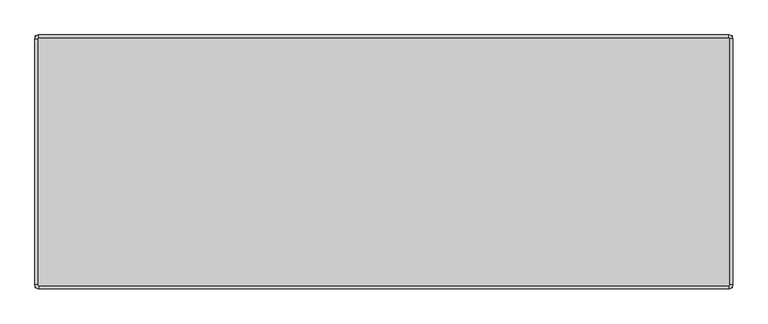
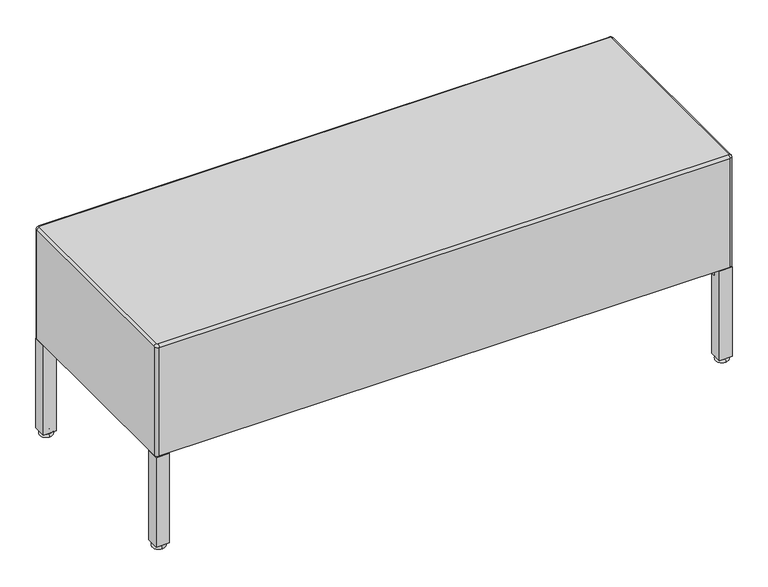
"""IFC4 building model written with IfcOpenShell, lengths in millimetres: furniture geometry."""

from ifc_helpers import new_model, si_unit, point, frame, frame_2d, origin, place, context, project, spatial, polyline, circle_curve, ellipse_curve, trimmed, segment, composite_curve, outline, extrude, source, transform, mapped, element, save
from ifc_brep_helpers import plane_surface, cylinder_surface, revolved_surface, advanced_brep


def furniture_a1e65dd1(model_context):
    return source(origin(), model_context, "Body", "SolidModel", [
        advanced_brep(
        [(-553.72, -242.1496455, 421.1758089), (-552.45, -243.4196455, 421.1758089), (552.45, -243.4196455, 421.1758089), (553.72, -242.1496455, 421.1758089), (553.72, 151.5503545, 421.1758089), (552.45, 152.8203545, 421.1758089), (-552.45, 152.8203545, 421.1758089), (-553.72, 151.5503545, 421.1758089), (552.45, 157.9003545, 194.48983), (558.8, 151.5503545, 194.48983), (558.8, -242.1496455, 194.48983), (552.45, -248.4996455, 194.48983), (-552.45, -248.4996455, 194.48983), (-558.8, -242.1496455, 194.48983), (-558.8, 151.5503545, 194.48983), (-552.45, 157.9003545, 194.48983), (-552.45, 157.9003545, 416.0958089), (552.45, 157.9003545, 416.0958089), (-558.8, -242.1496455, 416.0958089), (-558.8, 151.5503545, 416.0958089), (552.45, -248.4996455, 416.0958089), (-552.45, -248.4996455, 416.0958089), (558.8, 151.5503545, 416.0958089), (558.8, -242.1496455, 416.0958089)],
        [
            (0, 1, circle_curve(frame((-552.45, -242.1496455, 421.1758089), z_axis=(0.0, 0.0, 1.0), x_axis=(-1.0, 0.0, 0.0)), 1.27)),
            (1, 2),
            (2, 3, circle_curve(frame((552.45, -242.1496455, 421.1758089), z_axis=(0.0, 0.0, 1.0), x_axis=(0.0, -1.0, 0.0)), 1.27)),
            (3, 4),
            (4, 5, circle_curve(frame((552.45, 151.5503545, 421.1758089), z_axis=(0.0, 0.0, 1.0), x_axis=(1.0, 0.0, 0.0)), 1.27)),
            (5, 6),
            (6, 7, circle_curve(frame((-552.45, 151.5503545, 421.1758089), z_axis=(0.0, 0.0, 1.0), x_axis=(0.0, 1.0, 0.0)), 1.27)),
            (7, 0),
            (8, 9, circle_curve(frame((552.45, 151.5503545, 194.48983), z_axis=(0.0, 0.0, -1.0), x_axis=(1.0, 0.0, 0.0)), 6.35)),
            (9, 10),
            (10, 11, circle_curve(frame((552.45, -242.1496455, 194.48983), z_axis=(0.0, 0.0, -1.0), x_axis=(1.0, 0.0, 0.0)), 6.35)),
            (11, 12),
            (12, 13, circle_curve(frame((-552.45, -242.1496455, 194.48983), z_axis=(0.0, 0.0, -1.0), x_axis=(1.0, 0.0, 0.0)), 6.35)),
            (13, 14),
            (14, 15, circle_curve(frame((-552.45, 151.5503545, 194.48983), z_axis=(0.0, 0.0, -1.0), x_axis=(1.0, 0.0, 0.0)), 6.35)),
            (15, 8),
            (15, 16),
            (16, 17),
            (17, 8),
            (13, 18),
            (18, 19),
            (19, 14),
            (11, 20),
            (20, 21),
            (21, 12),
            (9, 22),
            (22, 23),
            (23, 10),
            (19, 16, circle_curve(frame((-552.45, 151.5503545, 416.0958089), z_axis=(0.0, 0.0, -1.0), x_axis=(1.0, 0.0, 0.0)), 6.35)),
            (21, 18, circle_curve(frame((-552.45, -242.1496455, 416.0958089), z_axis=(0.0, 0.0, -1.0), x_axis=(1.0, 0.0, 0.0)), 6.35)),
            (23, 20, circle_curve(frame((552.45, -242.1496455, 416.0958089), z_axis=(0.0, 0.0, -1.0), x_axis=(1.0, 0.0, 0.0)), 6.35)),
            (17, 22, circle_curve(frame((552.45, 151.5503545, 416.0958089), z_axis=(0.0, 0.0, -1.0), x_axis=(1.0, 0.0, 0.0)), 6.35)),
            (21, 1, circle_curve(frame((-552.45, -243.4196455, 416.0958089), z_axis=(-1.0, 0.0, 0.0), x_axis=(0.0, 1.0, 0.0)), 5.08)),
            (0, 18, circle_curve(frame((-553.72, -242.1496455, 416.0958089), z_axis=(0.0, -1.0, 0.0), x_axis=(1.0, 0.0, 0.0)), 5.08)),
            (20, 2, circle_curve(frame((552.45, -243.4196455, 416.0958089), z_axis=(-1.0, 0.0, 0.0), x_axis=(0.0, 1.0, 0.0)), 5.08)),
            (23, 3, circle_curve(frame((553.72, -242.1496455, 416.0958089), z_axis=(0.0, -1.0, 0.0), x_axis=(-1.0, 0.0, 0.0)), 5.08)),
            (22, 4, circle_curve(frame((553.72, 151.5503545, 416.0958089), z_axis=(0.0, -1.0, 0.0), x_axis=(-1.0, 0.0, 0.0)), 5.08)),
            (17, 5, circle_curve(frame((552.45, 152.8203545, 416.0958089), z_axis=(1.0, 0.0, 0.0), x_axis=(0.0, -1.0, 0.0)), 5.08)),
            (16, 6, circle_curve(frame((-552.45, 152.8203545, 416.0958089), z_axis=(1.0, 0.0, 0.0), x_axis=(0.0, -1.0, 0.0)), 5.08)),
            (19, 7, circle_curve(frame((-553.72, 151.5503545, 416.0958089), z_axis=(0.0, 1.0, 0.0), x_axis=(1.0, 0.0, 0.0)), 5.08)),
        ],
        [
            plane_surface(frame((-552.45, 157.9003545, 421.1758089), z_axis=(0.0, 0.0, 1.0), x_axis=(-1.0, 0.0, 0.0))),
            plane_surface(frame((-552.45, 157.9003545, 194.48983), z_axis=(0.0, 0.0, -1.0), x_axis=(1.0, 0.0, 0.0))),
            plane_surface(frame((552.45, 157.9003545, 421.1758089), z_axis=(0.0, 1.0, 0.0), x_axis=(0.0, 0.0, -1.0))),
            plane_surface(frame((-558.8, 151.5503545, 421.1758089), z_axis=(-1.0, 0.0, 0.0), x_axis=(0.0, 0.0, -1.0))),
            plane_surface(frame((-552.45, -248.4996455, 421.1758089), z_axis=(0.0, -1.0, 0.0), x_axis=(0.0, 0.0, -1.0))),
            plane_surface(frame((558.8, -242.1496455, 421.1758089), z_axis=(1.0, 0.0, 0.0), x_axis=(0.0, 0.0, -1.0))),
            cylinder_surface(frame((-552.45, 151.5503545, 194.48983), z_axis=(0.0, 0.0, 1.0), x_axis=(1.0, 0.0, 0.0)), 6.35),
            cylinder_surface(frame((-552.45, -242.1496455, 194.48983), z_axis=(0.0, 0.0, 1.0), x_axis=(1.0, 0.0, 0.0)), 6.35),
            cylinder_surface(frame((552.45, -242.1496455, 194.48983), z_axis=(0.0, 0.0, 1.0), x_axis=(1.0, 0.0, 0.0)), 6.35),
            cylinder_surface(frame((552.45, 151.5503545, 194.48983), z_axis=(0.0, 0.0, 1.0), x_axis=(1.0, 0.0, 0.0)), 6.35),
            revolved_surface(trimmed(ellipse_curve(frame((-553.72, -242.1496455, 416.0958089), z_axis=(0.0, 1.0, 0.0), x_axis=(1.0, 0.0, 0.0)), 5.08, 5.08), [point((-558.8, -242.1496455, 416.0958089))], [point((-553.72, -242.1496455, 421.1758089))], True, "CARTESIAN"), (-552.45, -242.1496455, 421.1758089), (0.0, 0.0, 1.0)),
            cylinder_surface(frame((-552.45, -243.4196455, 416.0958089), z_axis=(1.0, 0.0, 0.0), x_axis=(0.0, 1.0, 0.0)), 5.08),
            revolved_surface(trimmed(ellipse_curve(frame((552.45, -243.4196455, 416.0958089), z_axis=(-1.0, 0.0, 0.0), x_axis=(0.0, 1.0, 0.0)), 5.08, 5.08), [point((552.45, -248.4996455, 416.0958089))], [point((552.45, -243.4196455, 421.1758089))], True, "CARTESIAN"), (552.45, -242.1496455, 421.1758089), (0.0, 0.0, 1.0)),
            cylinder_surface(frame((553.72, -242.1496455, 416.0958089), z_axis=(0.0, 1.0, 0.0), x_axis=(-1.0, 0.0, 0.0)), 5.08),
            revolved_surface(trimmed(ellipse_curve(frame((553.72, 151.5503545, 416.0958089), z_axis=(0.0, -1.0, 0.0), x_axis=(-1.0, 0.0, 0.0)), 5.08, 5.08), [point((558.8, 151.5503545, 416.0958089))], [point((553.72, 151.5503545, 421.1758089))], True, "CARTESIAN"), (552.45, 151.5503545, 421.1758089), (0.0, 0.0, 1.0)),
            cylinder_surface(frame((552.45, 152.8203545, 416.0958089), z_axis=(-1.0, 0.0, 0.0), x_axis=(0.0, -1.0, 0.0)), 5.08),
            revolved_surface(trimmed(ellipse_curve(frame((-552.45, 152.8203545, 416.0958089), z_axis=(1.0, 0.0, 0.0), x_axis=(0.0, -1.0, 0.0)), 5.08, 5.08), [point((-552.45, 157.9003545, 416.0958089))], [point((-552.45, 152.8203545, 421.1758089))], True, "CARTESIAN"), (-552.45, 151.5503545, 421.1758089), (0.0, 0.0, 1.0)),
            cylinder_surface(frame((-553.72, 151.5503545, 416.0958089), z_axis=(0.0, -1.0, 0.0), x_axis=(1.0, 0.0, 0.0)), 5.08),
        ],
        [
            (0, [[1, 2, 3, 4, 5, 6, 7, 8]]),
            (1, [[9, 10, 11, 12, 13, 14, 15, 16]]),
            (2, [[-16, 17, 18, 19]]),
            (3, [[-14, 20, 21, 22]]),
            (4, [[-12, 23, 24, 25]]),
            (5, [[-10, 26, 27, 28]]),
            (6, [[-15, -22, 29, -17]]),
            (7, [[-13, -25, 30, -20]]),
            (8, [[-11, -28, 31, -23]]),
            (9, [[-9, -19, 32, -26]]),
            (10, [[33, -1, 34, -30]]),
            (11, [[-33, -24, 35, -2]]),
            (12, [[-35, -31, 36, -3]]),
            (13, [[-36, -27, 37, -4]]),
            (14, [[-37, -32, 38, -5]]),
            (15, [[-38, -18, 39, -6]]),
            (16, [[-39, -29, 40, -7]]),
            (17, [[-34, -8, -40, -21]]),
        ],
    ),
        advanced_brep(
        [(545.465, 135.5946464, 8.7536), (545.465, 151.3555036, 8.7536), (545.465, 151.3555036, 7.6882771), (545.465, 135.5946464, 7.6882771), (545.465, 143.475075, 8.7536), (545.465, 133.2693554, 0.0), (545.465, 153.6807946, 0.0), (545.465, 143.475075, 0.0), (545.465, 133.2693554, 5.362986), (545.465, 153.6807946, 5.362986)],
        [
            (0, 1, circle_curve(frame((545.465, 143.475075, 8.7536), z_axis=(0.0, 0.0, -1.0), x_axis=(0.0, 1.0, 0.0)), 7.8804286)),
            (1, 2),
            (2, 3, circle_curve(frame((545.465, 143.475075, 7.6882771), z_axis=(0.0, 0.0, 1.0), x_axis=(0.0, 1.0, 0.0)), 7.8804286)),
            (3, 0),
            (1, 0, circle_curve(frame((545.465, 143.475075, 8.7536), z_axis=(0.0, 0.0, -1.0), x_axis=(0.0, 1.0, 0.0)), 7.8804286)),
            (3, 2, circle_curve(frame((545.465, 143.475075, 7.6882771), z_axis=(0.0, 0.0, 1.0), x_axis=(0.0, 1.0, 0.0)), 7.8804286)),
            (4, 1),
            (0, 4),
            (5, 6, circle_curve(frame((545.465, 143.475075, 0.0), z_axis=(0.0, 0.0, -1.0), x_axis=(0.0, 1.0, 0.0)), 10.2057196)),
            (6, 7),
            (7, 5),
            (6, 5, circle_curve(frame((545.465, 143.475075, 0.0), z_axis=(0.0, 0.0, -1.0), x_axis=(0.0, 1.0, 0.0)), 10.2057196)),
            (8, 9, circle_curve(frame((545.465, 143.475075, 5.362986), z_axis=(0.0, 0.0, -1.0), x_axis=(0.0, 1.0, 0.0)), 10.2057196)),
            (9, 6, circle_curve(frame((545.465, 153.4846706, 2.681493), z_axis=(-1.0, 0.0, 0.0), x_axis=(0.0, 1.0, 0.0)), 2.6886557)),
            (5, 8, circle_curve(frame((545.465, 133.4654794, 2.681493), z_axis=(-1.0, 0.0, 0.0), x_axis=(0.0, -1.0, 0.0)), 2.6886557)),
            (9, 8, circle_curve(frame((545.465, 143.475075, 5.362986), z_axis=(0.0, 0.0, -1.0), x_axis=(0.0, 1.0, 0.0)), 10.2057196)),
            (2, 9, circle_curve(frame((545.465, 153.6807946, 7.6882771), z_axis=(1.0, 0.0, 0.0), x_axis=(0.0, 1.0, 0.0)), 2.3252911)),
            (8, 3, circle_curve(frame((545.465, 133.2693554, 7.6882771), z_axis=(1.0, 0.0, 0.0), x_axis=(0.0, -1.0, 0.0)), 2.3252911)),
        ],
        [
            cylinder_surface(frame((545.465, 143.475075, 0.0), z_axis=(0.0, 0.0, 1.0), x_axis=(0.0, 1.0, 0.0)), 7.8804286),
            plane_surface(frame((545.465, 143.475075, 8.7536), z_axis=(0.0, 0.0, 1.0), x_axis=(0.0, 1.0, 0.0))),
            plane_surface(frame((545.465, 143.475075, 0.0), z_axis=(0.0, 0.0, -1.0), x_axis=(0.0, 1.0, 0.0))),
            revolved_surface(trimmed(ellipse_curve(frame((545.465, 153.4846706, 2.681493), z_axis=(1.0, 0.0, 0.0), x_axis=(0.0, 1.0, 0.0)), 2.6886557, 2.6886557), [point((545.465, 153.6807946, 0.0))], [point((545.465, 153.6807946, 5.362986))], True, "CARTESIAN"), (545.465, 143.475075, 0.0), (0.0, 0.0, 1.0)),
            revolved_surface(trimmed(ellipse_curve(frame((545.465, 153.6807946, 7.6882771), z_axis=(-1.0, 0.0, 0.0), x_axis=(0.0, 1.0, 0.0)), 2.3252911, 2.3252911), [point((545.465, 153.6807946, 5.362986))], [point((545.465, 151.3555036, 7.6882771))], True, "CARTESIAN"), (545.465, 143.475075, 0.0), (0.0, 0.0, 1.0)),
        ],
        [
            (0, [[1, 2, 3, 4]]),
            (0, [[5, -4, 6, -2]]),
            (1, [[7, -1, 8]]),
            (1, [[-8, -5, -7]]),
            (2, [[9, 10, 11]]),
            (2, [[12, -11, -10]]),
            (3, [[13, 14, -9, 15]]),
            (3, [[16, -15, -12, -14]]),
            (4, [[-3, 17, -13, 18]]),
            (4, [[-6, -18, -16, -17]]),
        ],
    ),
        advanced_brep(
        [(-545.465, 135.5946464, 7.6882771), (-545.465, 151.3555036, 7.6882771), (-545.465, 151.3555036, 8.7536), (-545.465, 135.5946464, 8.7536), (-545.465, 143.475075, 8.7536), (-545.465, 143.475075, 0.0), (-545.465, 153.6807946, 0.0), (-545.465, 133.2693554, 0.0), (-545.465, 153.6807946, 5.362986), (-545.465, 133.2693554, 5.362986)],
        [
            (0, 1, circle_curve(frame((-545.465, 143.475075, 7.6882771), z_axis=(0.0, 0.0, 1.0), x_axis=(0.0, 1.0, 0.0)), 7.8804286)),
            (1, 2),
            (2, 3, circle_curve(frame((-545.465, 143.475075, 8.7536), z_axis=(0.0, 0.0, -1.0), x_axis=(0.0, 1.0, 0.0)), 7.8804286)),
            (3, 0),
            (1, 0, circle_curve(frame((-545.465, 143.475075, 7.6882771), z_axis=(0.0, 0.0, 1.0), x_axis=(0.0, 1.0, 0.0)), 7.8804286)),
            (3, 2, circle_curve(frame((-545.465, 143.475075, 8.7536), z_axis=(0.0, 0.0, -1.0), x_axis=(0.0, 1.0, 0.0)), 7.8804286)),
            (2, 4),
            (4, 3),
            (5, 6),
            (6, 7, circle_curve(frame((-545.465, 143.475075, 0.0), z_axis=(0.0, 0.0, -1.0), x_axis=(0.0, 1.0, 0.0)), 10.2057196)),
            (7, 5),
            (7, 6, circle_curve(frame((-545.465, 143.475075, 0.0), z_axis=(0.0, 0.0, -1.0), x_axis=(0.0, 1.0, 0.0)), 10.2057196)),
            (6, 8, circle_curve(frame((-545.465, 153.4846706, 2.681493), z_axis=(1.0, 0.0, 0.0), x_axis=(0.0, 1.0, 0.0)), 2.6886557)),
            (8, 9, circle_curve(frame((-545.465, 143.475075, 5.362986), z_axis=(0.0, 0.0, -1.0), x_axis=(0.0, 1.0, 0.0)), 10.2057196)),
            (9, 7, circle_curve(frame((-545.465, 133.4654794, 2.681493), z_axis=(1.0, 0.0, 0.0), x_axis=(0.0, -1.0, 0.0)), 2.6886557)),
            (9, 8, circle_curve(frame((-545.465, 143.475075, 5.362986), z_axis=(0.0, 0.0, -1.0), x_axis=(0.0, 1.0, 0.0)), 10.2057196)),
            (8, 1, circle_curve(frame((-545.465, 153.6807946, 7.6882771), z_axis=(-1.0, 0.0, 0.0), x_axis=(0.0, 1.0, 0.0)), 2.3252911)),
            (0, 9, circle_curve(frame((-545.465, 133.2693554, 7.6882771), z_axis=(-1.0, 0.0, 0.0), x_axis=(0.0, -1.0, 0.0)), 2.3252911)),
        ],
        [
            cylinder_surface(frame((-545.465, 143.475075, 0.0), z_axis=(0.0, 0.0, -1.0), x_axis=(0.0, 1.0, 0.0)), 7.8804286),
            plane_surface(frame((-545.465, 143.475075, 8.7536), z_axis=(0.0, 0.0, 1.0), x_axis=(0.0, 1.0, 0.0))),
            plane_surface(frame((-545.465, 143.475075, 0.0), z_axis=(0.0, 0.0, -1.0), x_axis=(0.0, 1.0, 0.0))),
            revolved_surface(trimmed(ellipse_curve(frame((-545.465, 153.4846706, 2.681493), z_axis=(-1.0, 0.0, 0.0), x_axis=(0.0, 1.0, 0.0)), 2.6886557, 2.6886557), [point((-545.465, 153.6807946, 5.362986))], [point((-545.465, 153.6807946, 0.0))], True, "CARTESIAN"), (-545.465, 143.475075, 0.0), (0.0, 0.0, -1.0)),
            revolved_surface(trimmed(ellipse_curve(frame((-545.465, 153.6807946, 7.6882771), z_axis=(1.0, 0.0, 0.0), x_axis=(0.0, 1.0, 0.0)), 2.3252911, 2.3252911), [point((-545.465, 151.3555036, 7.6882771))], [point((-545.465, 153.6807946, 5.362986))], True, "CARTESIAN"), (-545.465, 143.475075, 0.0), (0.0, 0.0, -1.0)),
        ],
        [
            (0, [[1, 2, 3, 4]]),
            (0, [[5, -4, 6, -2]]),
            (1, [[-3, 7, 8]]),
            (1, [[-6, -8, -7]]),
            (2, [[9, 10, 11]]),
            (2, [[-11, 12, -9]]),
            (3, [[-10, 13, 14, 15]]),
            (3, [[-12, -15, 16, -13]]),
            (4, [[-14, 17, -1, 18]]),
            (4, [[-16, -18, -5, -17]]),
        ],
    ),
        advanced_brep(
        [(-545.465, -226.1939375, 8.7536), (-545.465, -241.9547946, 8.7536), (-545.465, -241.9547946, 7.6882771), (-545.465, -226.1939375, 7.6882771), (-545.465, -234.074366, 8.7536), (-545.465, -223.8686464, 0.0), (-545.465, -244.2800857, 0.0), (-545.465, -234.074366, 0.0), (-545.465, -223.8686464, 5.362986), (-545.465, -244.2800857, 5.362986)],
        [
            (0, 1, circle_curve(frame((-545.465, -234.074366, 8.7536), z_axis=(0.0, 0.0, -1.0), x_axis=(0.0, -1.0, 0.0)), 7.8804286)),
            (1, 2),
            (2, 3, circle_curve(frame((-545.465, -234.074366, 7.6882771), z_axis=(0.0, 0.0, 1.0), x_axis=(0.0, -1.0, 0.0)), 7.8804286)),
            (3, 0),
            (1, 0, circle_curve(frame((-545.465, -234.074366, 8.7536), z_axis=(0.0, 0.0, -1.0), x_axis=(0.0, -1.0, 0.0)), 7.8804286)),
            (3, 2, circle_curve(frame((-545.465, -234.074366, 7.6882771), z_axis=(0.0, 0.0, 1.0), x_axis=(0.0, -1.0, 0.0)), 7.8804286)),
            (4, 1),
            (0, 4),
            (5, 6, circle_curve(frame((-545.465, -234.074366, 0.0), z_axis=(0.0, 0.0, -1.0), x_axis=(0.0, -1.0, 0.0)), 10.2057196)),
            (6, 7),
            (7, 5),
            (6, 5, circle_curve(frame((-545.465, -234.074366, 0.0), z_axis=(0.0, 0.0, -1.0), x_axis=(0.0, -1.0, 0.0)), 10.2057196)),
            (8, 9, circle_curve(frame((-545.465, -234.074366, 5.362986), z_axis=(0.0, 0.0, -1.0), x_axis=(0.0, -1.0, 0.0)), 10.2057196)),
            (9, 6, circle_curve(frame((-545.465, -244.0839617, 2.681493), z_axis=(1.0, 0.0, 0.0), x_axis=(0.0, -1.0, 0.0)), 2.6886557)),
            (5, 8, circle_curve(frame((-545.465, -224.0647704, 2.681493), z_axis=(1.0, 0.0, 0.0), x_axis=(0.0, 1.0, 0.0)), 2.6886557)),
            (9, 8, circle_curve(frame((-545.465, -234.074366, 5.362986), z_axis=(0.0, 0.0, -1.0), x_axis=(0.0, -1.0, 0.0)), 10.2057196)),
            (2, 9, circle_curve(frame((-545.465, -244.2800857, 7.6882771), z_axis=(-1.0, 0.0, 0.0), x_axis=(0.0, -1.0, 0.0)), 2.3252911)),
            (8, 3, circle_curve(frame((-545.465, -223.8686464, 7.6882771), z_axis=(-1.0, 0.0, 0.0), x_axis=(0.0, 1.0, 0.0)), 2.3252911)),
        ],
        [
            cylinder_surface(frame((-545.465, -234.074366, 0.0), z_axis=(0.0, 0.0, 1.0), x_axis=(0.0, -1.0, 0.0)), 7.8804286),
            plane_surface(frame((-545.465, -234.074366, 8.7536), z_axis=(0.0, 0.0, 1.0), x_axis=(0.0, -1.0, 0.0))),
            plane_surface(frame((-545.465, -234.074366, 0.0), z_axis=(0.0, 0.0, -1.0), x_axis=(0.0, -1.0, 0.0))),
            revolved_surface(trimmed(ellipse_curve(frame((-545.465, -244.0839617, 2.681493), z_axis=(-1.0, 0.0, 0.0), x_axis=(0.0, -1.0, 0.0)), 2.6886557, 2.6886557), [point((-545.465, -244.2800857, 0.0))], [point((-545.465, -244.2800857, 5.362986))], True, "CARTESIAN"), (-545.465, -234.074366, 0.0), (0.0, 0.0, 1.0)),
            revolved_surface(trimmed(ellipse_curve(frame((-545.465, -244.2800857, 7.6882771), z_axis=(1.0, 0.0, 0.0), x_axis=(0.0, -1.0, 0.0)), 2.3252911, 2.3252911), [point((-545.465, -244.2800857, 5.362986))], [point((-545.465, -241.9547946, 7.6882771))], True, "CARTESIAN"), (-545.465, -234.074366, 0.0), (0.0, 0.0, 1.0)),
        ],
        [
            (0, [[1, 2, 3, 4]]),
            (0, [[5, -4, 6, -2]]),
            (1, [[7, -1, 8]]),
            (1, [[-8, -5, -7]]),
            (2, [[9, 10, 11]]),
            (2, [[12, -11, -10]]),
            (3, [[13, 14, -9, 15]]),
            (3, [[16, -15, -12, -14]]),
            (4, [[-3, 17, -13, 18]]),
            (4, [[-6, -18, -16, -17]]),
        ],
    ),
        advanced_brep(
        [(545.465, -226.1939375, 7.6882771), (545.465, -241.9547946, 7.6882771), (545.465, -241.9547946, 8.7536), (545.465, -226.1939375, 8.7536), (545.465, -234.074366, 8.7536), (545.465, -234.074366, 0.0), (545.465, -244.2800857, 0.0), (545.465, -223.8686464, 0.0), (545.465, -244.2800857, 5.362986), (545.465, -223.8686464, 5.362986)],
        [
            (0, 1, circle_curve(frame((545.465, -234.074366, 7.6882771), z_axis=(0.0, 0.0, 1.0), x_axis=(0.0, -1.0, 0.0)), 7.8804286)),
            (1, 2),
            (2, 3, circle_curve(frame((545.465, -234.074366, 8.7536), z_axis=(0.0, 0.0, -1.0), x_axis=(0.0, -1.0, 0.0)), 7.8804286)),
            (3, 0),
            (1, 0, circle_curve(frame((545.465, -234.074366, 7.6882771), z_axis=(0.0, 0.0, 1.0), x_axis=(0.0, -1.0, 0.0)), 7.8804286)),
            (3, 2, circle_curve(frame((545.465, -234.074366, 8.7536), z_axis=(0.0, 0.0, -1.0), x_axis=(0.0, -1.0, 0.0)), 7.8804286)),
            (2, 4),
            (4, 3),
            (5, 6),
            (6, 7, circle_curve(frame((545.465, -234.074366, 0.0), z_axis=(0.0, 0.0, -1.0), x_axis=(0.0, -1.0, 0.0)), 10.2057196)),
            (7, 5),
            (7, 6, circle_curve(frame((545.465, -234.074366, 0.0), z_axis=(0.0, 0.0, -1.0), x_axis=(0.0, -1.0, 0.0)), 10.2057196)),
            (6, 8, circle_curve(frame((545.465, -244.0839617, 2.681493), z_axis=(-1.0, 0.0, 0.0), x_axis=(0.0, 1.0, 0.0)), 2.6886557)),
            (8, 9, circle_curve(frame((545.465, -234.074366, 5.362986), z_axis=(0.0, 0.0, -1.0), x_axis=(0.0, -1.0, 0.0)), 10.2057196)),
            (9, 7, circle_curve(frame((545.465, -224.0647704, 2.681493), z_axis=(-1.0, 0.0, 0.0), x_axis=(0.0, -1.0, 0.0)), 2.6886557)),
            (9, 8, circle_curve(frame((545.465, -234.074366, 5.362986), z_axis=(0.0, 0.0, -1.0), x_axis=(0.0, -1.0, 0.0)), 10.2057196)),
            (8, 1, circle_curve(frame((545.465, -244.2800857, 7.6882771), z_axis=(1.0, 0.0, 0.0), x_axis=(0.0, 1.0, 0.0)), 2.3252911)),
            (0, 9, circle_curve(frame((545.465, -223.8686464, 7.6882771), z_axis=(1.0, 0.0, 0.0), x_axis=(0.0, -1.0, 0.0)), 2.3252911)),
        ],
        [
            cylinder_surface(frame((545.465, -234.074366, 0.0), z_axis=(0.0, 0.0, -1.0), x_axis=(0.0, -1.0, 0.0)), 7.8804286),
            plane_surface(frame((545.465, -234.074366, 8.7536), z_axis=(0.0, 0.0, 1.0), x_axis=(0.0, -1.0, 0.0))),
            plane_surface(frame((545.465, -234.074366, 0.0), z_axis=(0.0, 0.0, -1.0), x_axis=(0.0, -1.0, 0.0))),
            revolved_surface(trimmed(ellipse_curve(frame((545.465, -244.0839617, 2.681493), z_axis=(1.0, 0.0, 0.0), x_axis=(0.0, 1.0, 0.0)), 2.6886557, 2.6886557), [point((545.465, -244.2800857, 5.362986))], [point((545.465, -244.2800857, 0.0))], True, "CARTESIAN"), (545.465, -234.074366, 0.0), (0.0, 0.0, -1.0)),
            revolved_surface(trimmed(ellipse_curve(frame((545.465, -244.2800857, 7.6882771), z_axis=(-1.0, 0.0, 0.0), x_axis=(0.0, 1.0, 0.0)), 2.3252911, 2.3252911), [point((545.465, -241.9547946, 7.6882771))], [point((545.465, -244.2800857, 5.362986))], True, "CARTESIAN"), (545.465, -234.074366, 0.0), (0.0, 0.0, -1.0)),
        ],
        [
            (0, [[1, 2, 3, 4]]),
            (0, [[5, -4, 6, -2]]),
            (1, [[-3, 7, 8]]),
            (1, [[-6, -8, -7]]),
            (2, [[9, 10, 11]]),
            (2, [[-11, 12, -9]]),
            (3, [[-10, 13, 14, 15]]),
            (3, [[-12, -15, 16, -13]]),
            (4, [[-14, 17, -1, 18]]),
            (4, [[-16, -18, -5, -17]]),
        ],
    ),
        extrude(outline(polyline([(189.7286, 516.8445049), (173.4757075, 533.0973974), (189.7286, 533.0973974), (189.7286, 516.8445049)])), frame((0.0, -230.305908, 0.0), z_axis=(0.0, 1.0, 0.0), x_axis=(0.0, 0.0, 1.0)), (0.0, 0.0, 1.0), 4.7395941),
        extrude(outline(polyline([(189.7286, -516.8445049), (189.7286, -533.0973974), (173.4757075, -533.0973974), (189.7286, -516.8445049)])), frame((0.0, -230.305908, 0.0), z_axis=(0.0, 1.0, 0.0), x_axis=(0.0, 0.0, 1.0)), (0.0, 0.0, 1.0), 4.7395941),
        extrude(outline(polyline([(189.7286, 516.8445049), (173.4757075, 533.0973974), (189.7286, 533.0973974), (189.7286, 516.8445049)])), frame((0.0, 134.9641545, 0.0), z_axis=(0.0, 1.0, 0.0), x_axis=(0.0, 0.0, 1.0)), (0.0, 0.0, 1.0), 4.7498),
        extrude(outline(polyline([(189.7286, -516.8445049), (189.7286, -533.0973974), (173.4757075, -533.0973974), (189.7286, -516.8445049)])), frame((0.0, 134.9641545, 0.0), z_axis=(0.0, 1.0, 0.0), x_axis=(0.0, 0.0, 1.0)), (0.0, 0.0, 1.0), 4.7498),
        extrude(outline(polyline([(114.8018594, 189.7286), (131.0547519, 189.7286), (131.0547519, 173.4757075), (114.8018594, 189.7286)])), frame((535.8638, 0.0, 0.0), z_axis=(1.0, 0.0, 0.0), x_axis=(0.0, 1.0, 0.0)), (0.0, 0.0, 1.0), 4.7498),
        extrude(outline(polyline([(-205.4011504, 189.7286), (-221.6540429, 173.4757075), (-221.6540429, 189.7286), (-205.4011504, 189.7286)])), frame((535.8638, 0.0, 0.0), z_axis=(1.0, 0.0, 0.0), x_axis=(0.0, 1.0, 0.0)), (0.0, 0.0, 1.0), 4.7498),
        extrude(outline(polyline([(114.8018594, 189.7286), (131.0547519, 189.7286), (131.0547519, 173.4757075), (114.8018594, 189.7286)])), frame((-540.6062625, 0.0, 0.0), z_axis=(1.0, 0.0, 0.0), x_axis=(0.0, 1.0, 0.0)), (0.0, 0.0, 1.0), 4.7395941),
        extrude(outline(polyline([(-205.4011504, 189.7286), (-221.6540429, 173.4757075), (-221.6540429, 189.7286), (-205.4011504, 189.7286)])), frame((-540.6062625, 0.0, 0.0), z_axis=(1.0, 0.0, 0.0), x_axis=(0.0, 1.0, 0.0)), (0.0, 0.0, 1.0), 4.7395941),
        extrude(outline(composite_curve([segment(polyline([(548.7698596, -187.5488395), (548.4832613, -221.6540429), (532.6077008, -221.6540429), (532.4738804, -237.5786697), (497.4502948, -237.2843538)]), True, "CONTINUOUS"), segment(trimmed(circle_curve(frame_2d((497.5294952, -227.8595088)), 9.4251778), [point((497.4502948, -237.2843538))], [point((488.1046501, -227.7803084))], False, "CARTESIAN"), True, "CONTINUOUS"), segment(polyline([(488.1046501, -227.7803084), (488.4544503, -186.1540878)]), True, "CONTINUOUS"), segment(trimmed(circle_curve(frame_2d((497.7262549, -186.2320022)), 9.2721319), [point((488.4544503, -186.1540878))], [point((497.8041692, -176.9601976))], False, "CARTESIAN"), True, "CONTINUOUS"), segment(polyline([(497.8041692, -176.9601976), (538.6955935, -177.303823)]), True, "CONTINUOUS"), segment(trimmed(circle_curve(frame_2d((538.6102184, -187.4634643)), 10.16), [point((538.6955935, -177.303823))], [point((548.7698596, -187.5488395))], False, "CARTESIAN"), True, "CONTINUOUS")], self_intersect=False)), frame((0.0, 0.0, 189.7286), z_axis=(0.0, 0.0, 1.0), x_axis=(1.0, 0.0, 0.0)), (0.0, 0.0, 1.0), 4.76123),
        extrude(outline(composite_curve([segment(polyline([(-548.6344823, -221.6540429), (-548.3311401, -185.5563176)]), True, "CONTINUOUS"), segment(trimmed(circle_curve(frame_2d((-539.7614222, -185.628332)), 8.5700205), [point((-548.3311401, -185.5563176))], [point((-539.6894077, -177.0586141))], False, "CARTESIAN"), True, "CONTINUOUS"), segment(polyline([(-539.6894077, -177.0586141), (-498.0689364, -177.4083659)]), True, "CONTINUOUS"), segment(trimmed(circle_curve(frame_2d((-498.154085, -187.5410468)), 10.1330386), [point((-498.0689364, -177.4083659))], [point((-488.0214041, -187.6261954))], False, "CARTESIAN"), True, "CONTINUOUS"), segment(polyline([(-488.0214041, -187.6261954), (-488.3601732, -227.9397173)]), True, "CONTINUOUS"), segment(trimmed(circle_curve(frame_2d((-498.2368406, -227.8567201)), 9.8770161), [point((-488.3601732, -227.9397173))], [point((-498.3198378, -237.7333875))], False, "CARTESIAN"), True, "CONTINUOUS"), segment(polyline([(-498.3198378, -237.7333875), (-532.6392908, -237.4449887), (-532.6392908, -221.6540429), (-548.6344823, -221.6540429)]), True, "CONTINUOUS")], self_intersect=False)), frame((0.0, 0.0, 189.7286), z_axis=(0.0, 0.0, 1.0), x_axis=(1.0, 0.0, 0.0)), (0.0, 0.0, 1.0), 4.76123),
        extrude(outline(composite_curve([segment(trimmed(circle_curve(frame_2d((538.6102184, 96.8641733)), 10.16), [point((548.7698596, 96.9495484))], [point((538.6955935, 86.704532))], False, "CARTESIAN"), True, "CONTINUOUS"), segment(polyline([(538.6955935, 86.704532), (497.8041692, 86.3609066)]), True, "CONTINUOUS"), segment(trimmed(circle_curve(frame_2d((497.7262549, 95.6327111)), 9.2721319), [point((497.8041692, 86.3609066))], [point((488.4544503, 95.5547968))], False, "CARTESIAN"), True, "CONTINUOUS"), segment(polyline([(488.4544503, 95.5547968), (488.1046501, 137.1810173)]), True, "CONTINUOUS"), segment(trimmed(circle_curve(frame_2d((497.5294952, 137.2602177)), 9.4251778), [point((488.1046501, 137.1810173))], [point((497.4502948, 146.6850628))], False, "CARTESIAN"), True, "CONTINUOUS"), segment(polyline([(497.4502948, 146.6850628), (532.4738804, 146.9793786), (532.6077008, 131.0547519), (548.4832613, 131.0547519), (548.7698596, 96.9495484)]), True, "CONTINUOUS")], self_intersect=False)), frame((0.0, 0.0, 189.7286), z_axis=(0.0, 0.0, 1.0), x_axis=(1.0, 0.0, 0.0)), (0.0, 0.0, 1.0), 4.76123),
        extrude(outline(composite_curve([segment(polyline([(-548.6344823, 131.0547519), (-532.6392908, 131.0547519), (-532.6392908, 146.8456976), (-498.3198378, 147.1340964)]), True, "CONTINUOUS"), segment(trimmed(circle_curve(frame_2d((-498.2368406, 137.2574291)), 9.8770161), [point((-498.3198378, 147.1340964))], [point((-488.3601732, 137.3404263))], False, "CARTESIAN"), True, "CONTINUOUS"), segment(polyline([(-488.3601732, 137.3404263), (-488.0214041, 97.0269043)]), True, "CONTINUOUS"), segment(trimmed(circle_curve(frame_2d((-498.154085, 96.9417557)), 10.1330386), [point((-488.0214041, 97.0269043))], [point((-498.0689364, 86.8090749))], False, "CARTESIAN"), True, "CONTINUOUS"), segment(polyline([(-498.0689364, 86.8090749), (-539.6894077, 86.459323)]), True, "CONTINUOUS"), segment(trimmed(circle_curve(frame_2d((-539.7614222, 95.029041)), 8.5700205), [point((-539.6894077, 86.459323))], [point((-548.3311401, 94.9570265))], False, "CARTESIAN"), True, "CONTINUOUS"), segment(polyline([(-548.3311401, 94.9570265), (-548.6344823, 131.0547519)]), True, "CONTINUOUS")], self_intersect=False)), frame((0.0, 0.0, 189.7286), z_axis=(0.0, 0.0, 1.0), x_axis=(1.0, 0.0, 0.0)), (0.0, 0.0, 1.0), 4.76123),
        extrude(outline(polyline([(-532.6392908, 156.5188271), (-532.6392908, 131.0547519), (-557.8673011, 131.0547519), (-557.8673011, 156.5188271), (-532.6392908, 156.5188271)])), frame((0.0, 0.0, 8.7536), z_axis=(0.0, 0.0, 1.0), x_axis=(1.0, 0.0, 0.0)), (0.0, 0.0, 1.0), 183.35625),
        extrude(outline(polyline([(558.2617595, 156.5188271), (558.2617595, 131.0547519), (533.0337491, 131.0547519), (533.0337491, 156.5188271), (558.2617595, 156.5188271)])), frame((0.0, 0.0, 8.7536), z_axis=(0.0, 0.0, 1.0), x_axis=(1.0, 0.0, 0.0)), (0.0, 0.0, 1.0), 183.35625),
        extrude(outline(polyline([(-532.6392908, -247.1181181), (-557.8673011, -247.1181181), (-557.8673011, -221.6540429), (-532.6392908, -221.6540429), (-532.6392908, -247.1181181)])), frame((0.0, 0.0, 8.7536), z_axis=(0.0, 0.0, 1.0), x_axis=(1.0, 0.0, 0.0)), (0.0, 0.0, 1.0), 183.35625),
        extrude(outline(polyline([(558.2617595, -247.1181181), (533.0337491, -247.1181181), (533.0337491, -221.6540429), (558.2617595, -221.6540429), (558.2617595, -247.1181181)])), frame((0.0, 0.0, 8.7536), z_axis=(0.0, 0.0, 1.0), x_axis=(1.0, 0.0, 0.0)), (0.0, 0.0, 1.0), 183.35625),
    ])


if __name__ == "__main__":
    model = new_model("IFC4")
    model_context = context("Model", 3, world=origin())
    ifc_project = project(units=[si_unit("LENGTHUNIT", "METRE", prefix="MILLI")], contexts=[model_context])
    site = spatial("IfcSite", under=ifc_project)
    building = spatial("IfcBuilding", under=site)
    placement = place(None, origin())
    furniture_shape = furniture_a1e65dd1(model_context)
    element("IfcFurniture", 1, at=placement, inside=building, context=model_context, shape_type="MappedRepresentation", body=[
        mapped(furniture_shape, transform((0.0, 0.0, 0.0), x_axis=(1.0, 0.0, 0.0), y_axis=(0.0, 1.0, 0.0), z_axis=(0.0, 0.0, 1.0))),
    ])
    save(model, "model.ifc")
